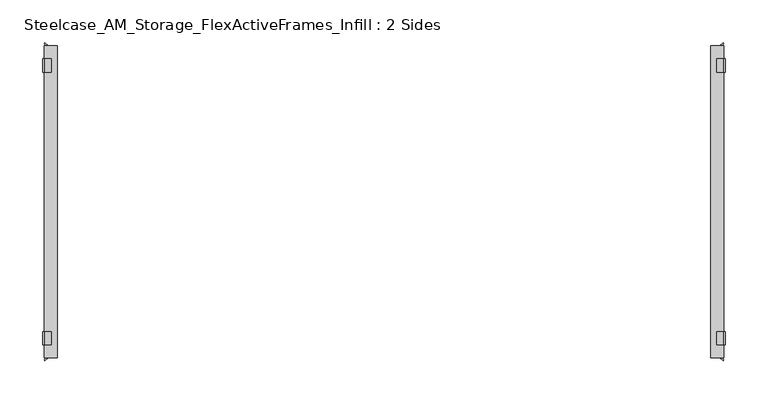
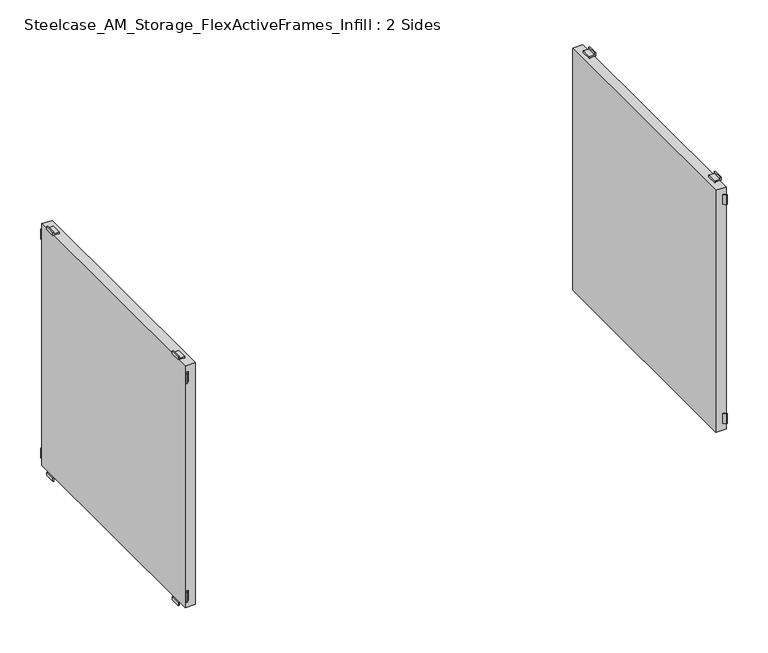
"""IFC4 building model written with IfcOpenShell, lengths in millimetres: furniture geometry, Steelcase_AM_Storage_FlexActiveFrames_Infill : 2 Sides."""

from ifc_helpers import new_model, si_unit, frame, origin, place, context, project, spatial, polyline, outline, extrude, source, transform, mapped, element, save


def steelcase_am_storage_flexactiveframes_infill_2_sides_8e5d1c32(model_context):
    return source(origin(), model_context, "Body", "SweptSolid", [
        extrude(outline(polyline([(794.8923586, -382.27), (797.5473445, -384.924986), (796.4697138, -386.0026167), (792.7370971, -382.27), (794.8923586, -382.27)])), frame((0.0, 0.0, 472.0336), z_axis=(0.0, 0.0, 1.0), x_axis=(1.0, 0.0, 0.0)), (0.0, 0.0, 1.0), 15.24),
        extrude(outline(polyline([(794.8923586, -17.78), (792.7370971, -17.78), (796.4697138, -14.0473833), (797.5473445, -15.125014), (794.8923586, -17.78)])), frame((0.0, 0.0, 472.0336), z_axis=(0.0, 0.0, 1.0), x_axis=(1.0, 0.0, 0.0)), (0.0, 0.0, 1.0), 15.24),
        extrude(outline(polyline([(794.8923586, -382.27), (797.5473445, -384.924986), (796.4697138, -386.0026167), (792.7370971, -382.27), (794.8923586, -382.27)])), frame((0.0, 0.0, 131.6736), z_axis=(0.0, 0.0, 1.0), x_axis=(1.0, 0.0, 0.0)), (0.0, 0.0, 1.0), 15.24),
        extrude(outline(polyline([(794.8923586, -17.78), (792.7370971, -17.78), (796.4697138, -14.0473833), (797.5473445, -15.125014), (794.8923586, -17.78)])), frame((0.0, 0.0, 131.6736), z_axis=(0.0, 0.0, 1.0), x_axis=(1.0, 0.0, 0.0)), (0.0, 0.0, 1.0), 15.24),
        extrude(outline(polyline([(503.0770636, 797.56), (499.9736, 797.56), (499.9736, 789.178), (497.4336, 789.178), (497.4336, 790.702), (498.4496, 790.702), (498.4496, 799.084), (503.0770636, 799.084), (503.0770636, 797.56)])), frame((0.0, -48.26, 0.0), z_axis=(0.0, 1.0, 0.0), x_axis=(0.0, 0.0, 1.0)), (0.0, 0.0, 1.0), 15.24),
        extrude(outline(polyline([(115.8701364, 797.56), (115.8701364, 799.084), (120.4976, 799.084), (120.4976, 790.702), (121.5136, 790.702), (121.5136, 789.178), (118.9736, 789.178), (118.9736, 797.56), (115.8701364, 797.56)])), frame((0.0, -48.26, 0.0), z_axis=(0.0, 1.0, 0.0), x_axis=(0.0, 0.0, 1.0)), (0.0, 0.0, 1.0), 15.24),
        extrude(outline(polyline([(503.0770636, 797.56), (499.9736, 797.56), (499.9736, 789.178), (497.4336, 789.178), (497.4336, 790.702), (498.4496, 790.702), (498.4496, 799.084), (503.0770636, 799.084), (503.0770636, 797.56)])), frame((0.0, -367.03, 0.0), z_axis=(0.0, 1.0, 0.0), x_axis=(0.0, 0.0, 1.0)), (0.0, 0.0, 1.0), 15.24),
        extrude(outline(polyline([(115.8701364, 797.56), (115.8701364, 799.084), (120.4976, 799.084), (120.4976, 790.702), (121.5136, 790.702), (121.5136, 789.178), (118.9736, 789.178), (118.9736, 797.56), (115.8701364, 797.56)])), frame((0.0, -367.03, 0.0), z_axis=(0.0, 1.0, 0.0), x_axis=(0.0, 0.0, 1.0)), (0.0, 0.0, 1.0), 15.24),
        extrude(outline(polyline([(782.32, -17.78), (797.56, -17.78), (797.56, -382.27), (782.32, -382.27), (782.32, -17.78)])), frame((0.0, 0.0, 121.5136), z_axis=(0.0, 0.0, 1.0), x_axis=(1.0, 0.0, 0.0)), (0.0, 0.0, 1.0), 375.92),
        extrude(outline(polyline([(5.2076414, -382.27), (7.3629029, -382.27), (3.6302862, -386.0026167), (2.5526555, -384.924986), (5.2076414, -382.27)])), frame((0.0, 0.0, 472.0336), z_axis=(0.0, 0.0, 1.0), x_axis=(1.0, 0.0, 0.0)), (0.0, 0.0, 1.0), 15.24),
        extrude(outline(polyline([(5.2076414, -17.78), (2.5526555, -15.125014), (3.6302862, -14.0473833), (7.3629029, -17.78), (5.2076414, -17.78)])), frame((0.0, 0.0, 472.0336), z_axis=(0.0, 0.0, 1.0), x_axis=(1.0, 0.0, 0.0)), (0.0, 0.0, 1.0), 15.24),
        extrude(outline(polyline([(5.2076414, -382.27), (7.3629029, -382.27), (3.6302862, -386.0026167), (2.5526555, -384.924986), (5.2076414, -382.27)])), frame((0.0, 0.0, 131.6736), z_axis=(0.0, 0.0, 1.0), x_axis=(1.0, 0.0, 0.0)), (0.0, 0.0, 1.0), 15.24),
        extrude(outline(polyline([(5.2076414, -17.78), (2.5526555, -15.125014), (3.6302862, -14.0473833), (7.3629029, -17.78), (5.2076414, -17.78)])), frame((0.0, 0.0, 131.6736), z_axis=(0.0, 0.0, 1.0), x_axis=(1.0, 0.0, 0.0)), (0.0, 0.0, 1.0), 15.24),
        extrude(outline(polyline([(503.0770636, 2.54), (503.0770636, 1.016), (498.4496, 1.016), (498.4496, 9.398), (497.4336, 9.398), (497.4336, 10.922), (499.9736, 10.922), (499.9736, 2.54), (503.0770636, 2.54)])), frame((0.0, -48.26, 0.0), z_axis=(0.0, 1.0, 0.0), x_axis=(0.0, 0.0, 1.0)), (0.0, 0.0, 1.0), 15.24),
        extrude(outline(polyline([(115.8701364, 2.54), (118.9736, 2.54), (118.9736, 10.922), (121.5136, 10.922), (121.5136, 9.398), (120.4976, 9.398), (120.4976, 1.016), (115.8701364, 1.016), (115.8701364, 2.54)])), frame((0.0, -48.26, 0.0), z_axis=(0.0, 1.0, 0.0), x_axis=(0.0, 0.0, 1.0)), (0.0, 0.0, 1.0), 15.24),
        extrude(outline(polyline([(503.0770636, 2.54), (503.0770636, 1.016), (498.4496, 1.016), (498.4496, 9.398), (497.4336, 9.398), (497.4336, 10.922), (499.9736, 10.922), (499.9736, 2.54), (503.0770636, 2.54)])), frame((0.0, -367.03, 0.0), z_axis=(0.0, 1.0, 0.0), x_axis=(0.0, 0.0, 1.0)), (0.0, 0.0, 1.0), 15.24),
        extrude(outline(polyline([(115.8701364, 2.54), (118.9736, 2.54), (118.9736, 10.922), (121.5136, 10.922), (121.5136, 9.398), (120.4976, 9.398), (120.4976, 1.016), (115.8701364, 1.016), (115.8701364, 2.54)])), frame((0.0, -367.03, 0.0), z_axis=(0.0, 1.0, 0.0), x_axis=(0.0, 0.0, 1.0)), (0.0, 0.0, 1.0), 15.24),
        extrude(outline(polyline([(17.78, -17.78), (17.78, -382.27), (2.54, -382.27), (2.54, -17.78), (17.78, -17.78)])), frame((0.0, 0.0, 121.5136), z_axis=(0.0, 0.0, 1.0), x_axis=(1.0, 0.0, 0.0)), (0.0, 0.0, 1.0), 375.92),
    ])


if __name__ == "__main__":
    model = new_model("IFC4")
    model_context = context("Model", 3, world=origin())
    ifc_project = project(units=[si_unit("LENGTHUNIT", "METRE", prefix="MILLI")], contexts=[model_context])
    site = spatial("IfcSite", under=ifc_project)
    building = spatial("IfcBuilding", under=site)
    placement = place(None, origin())
    steelcase_am_storage_flexactiveframes_infill_2_sides_shape = steelcase_am_storage_flexactiveframes_infill_2_sides_8e5d1c32(model_context)
    element("IfcFurniture", 1, ObjectType="Steelcase_AM_Storage_FlexActiveFrames_Infill : 2 Sides", at=placement, inside=building, context=model_context, shape_type="MappedRepresentation", body=[
        mapped(steelcase_am_storage_flexactiveframes_infill_2_sides_shape, transform((0.0, 0.0, 0.0), x_axis=(1.0, 0.0, 0.0), y_axis=(0.0, 1.0, 0.0), z_axis=(0.0, 0.0, 1.0))),
    ])
    save(model, "model.ifc")
